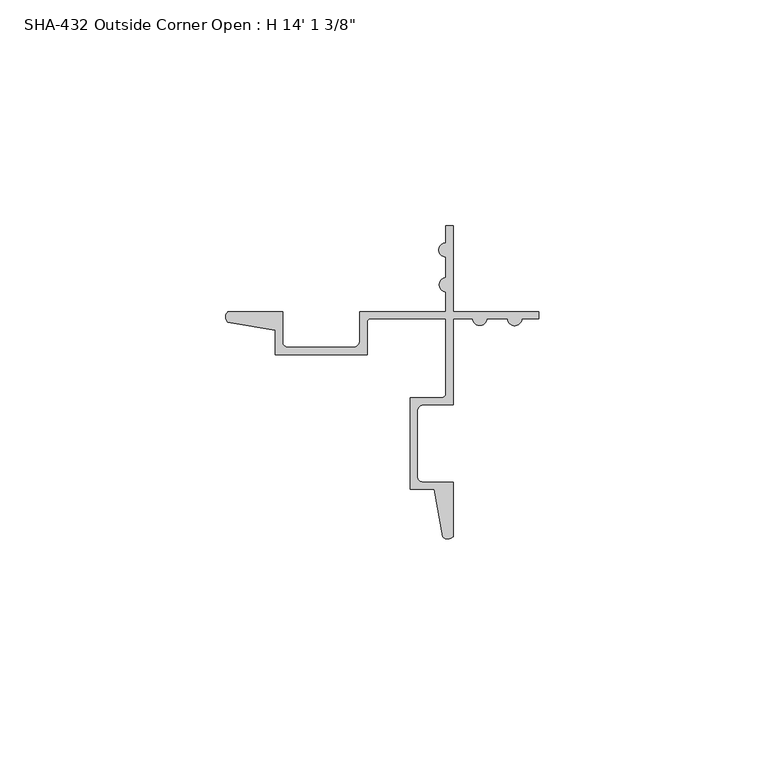
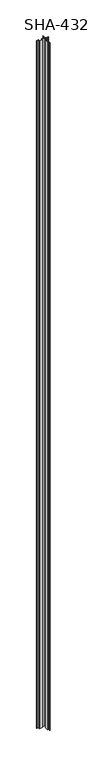
"""IFC4 building model written with IfcOpenShell, lengths in millimetres: proxy geometry."""

from ifc_helpers import new_model, si_unit, point, frame_2d, origin, origin_with_axes, place, context, project, spatial, polyline, circle_curve, trimmed, segment, composite_curve, outline, extrude, source, transform, mapped, element, save


def proxy_6e6ef92d(model_context):
    return source(origin(), model_context, "Body", "SweptSolid", [
        extrude(outline(composite_curve([segment(trimmed(circle_curve(frame_2d((-28.662637, 17.8573235)), 1.6162393), [point((-29.8194785, 16.7286308))], [point((-29.7533947, 19.05))], False, "CARTESIAN"), True, "CONTINUOUS"), segment(polyline([(-29.7533947, 19.05), (-17.6685916, 19.05), (-17.6685916, 12.3698)]), True, "CONTINUOUS"), segment(trimmed(circle_curve(frame_2d((-16.3985916, 12.3698)), 1.27), [point((-17.6685916, 12.3698))], [point((-16.3985916, 11.0998))], True, "CARTESIAN"), True, "CONTINUOUS"), segment(polyline([(-16.3985916, 11.0998), (-2.0896705, 11.0998)]), True, "CONTINUOUS"), segment(trimmed(circle_curve(frame_2d((-2.0896705, 12.6873)), 1.5875), [point((-2.0896705, 11.0998))], [point((-0.5021705, 12.6873))], True, "CARTESIAN"), True, "CONTINUOUS"), segment(polyline([(-0.5021705, 12.6873), (-0.5021705, 19.05), (18.5478295, 19.05), (18.5478295, 23.3934)]), True, "CONTINUOUS"), segment(trimmed(circle_curve(frame_2d((18.6388149, 24.9682)), 1.5774262), [point((18.5478295, 23.3934))], [point((18.5478295, 26.543))], False, "CARTESIAN"), True, "CONTINUOUS"), segment(polyline([(18.5478295, 26.543), (18.5478295, 31.1277)]), True, "CONTINUOUS"), segment(trimmed(circle_curve(frame_2d((18.5478295, 32.7025)), 1.5748), [point((18.5478295, 31.1277))], [point((18.5478295, 34.2773))], False, "CARTESIAN"), True, "CONTINUOUS"), segment(polyline([(18.5478295, 34.2773), (18.5478295, 38.1), (20.1226295, 38.1), (20.1226295, 19.05), (39.1726295, 19.05), (39.1726295, 17.4752), (35.3499295, 17.4752)]), True, "CONTINUOUS"), segment(trimmed(circle_curve(frame_2d((33.7751295, 17.4752)), 1.5748), [point((35.3499295, 17.4752))], [point((32.2003295, 17.4752))], False, "CARTESIAN"), True, "CONTINUOUS"), segment(polyline([(32.2003295, 17.4752), (27.6156295, 17.4752)]), True, "CONTINUOUS"), segment(trimmed(circle_curve(frame_2d((26.0408295, 17.5661854)), 1.5774262), [point((27.6156295, 17.4752))], [point((24.4660295, 17.4752))], False, "CARTESIAN"), True, "CONTINUOUS"), segment(polyline([(24.4660295, 17.4752), (20.1226295, 17.4752), (20.1226295, -1.5748), (13.7599295, -1.5748)]), True, "CONTINUOUS"), segment(trimmed(circle_curve(frame_2d((13.7599295, -3.1623)), 1.5875), [point((13.7599295, -1.5748))], [point((12.1724295, -3.1623))], True, "CARTESIAN"), True, "CONTINUOUS"), segment(polyline([(12.1724295, -3.1623), (12.1724295, -17.4712211)]), True, "CONTINUOUS"), segment(trimmed(circle_curve(frame_2d((13.4424295, -17.4712211)), 1.27), [point((12.1724295, -17.4712211))], [point((13.4424295, -18.7412211))], True, "CARTESIAN"), True, "CONTINUOUS"), segment(polyline([(13.4424295, -18.7412211), (20.1226295, -18.7412211), (20.1226295, -30.8260242)]), True, "CONTINUOUS"), segment(trimmed(circle_curve(frame_2d((18.929953, -29.7352665)), 1.6162393), [point((20.1226295, -30.8260242))], [point((17.8012602, -30.892108))], False, "CARTESIAN"), True, "CONTINUOUS"), segment(polyline([(17.8012602, -30.892108), (15.9902864, -20.3160211), (10.5976295, -20.3160211), (10.5976295, 0.0), (17.7528095, 0.0)]), True, "CONTINUOUS"), segment(trimmed(circle_curve(frame_2d((17.7528095, 0.79502)), 0.79502), [point((17.7528095, 0.0))], [point((18.5478295, 0.79502))], True, "CARTESIAN"), True, "CONTINUOUS"), segment(polyline([(18.5478295, 0.79502), (18.5478295, 17.4752), (1.8676495, 17.4752)]), True, "CONTINUOUS"), segment(trimmed(circle_curve(frame_2d((1.8676495, 16.68018)), 0.79502), [point((1.8676495, 17.4752))], [point((1.0726295, 16.68018))], True, "CARTESIAN"), True, "CONTINUOUS"), segment(polyline([(1.0726295, 16.68018), (1.0726295, 9.525), (-19.2433916, 9.525), (-19.2433916, 14.917657), (-29.8194785, 16.7286308)]), True, "CONTINUOUS")], self_intersect=False)), origin_with_axes(), (0.0, 0.0, 1.0), 4302.125),
    ])


if __name__ == "__main__":
    model = new_model("IFC4")
    model_context = context("Model", 3, world=origin())
    ifc_project = project(units=[si_unit("LENGTHUNIT", "METRE", prefix="MILLI")], contexts=[model_context])
    site = spatial("IfcSite", under=ifc_project)
    building = spatial("IfcBuilding", under=site)
    placement = place(None, origin())
    proxy_shape = proxy_6e6ef92d(model_context)
    element("IfcBuildingElementProxy", 1, Name="SHA-432 Outside Corner Open : H 14' 1 3/8\"", ObjectType="SHA-432 Outside Corner Open : H 14' 1 3/8\"", at=placement, inside=building, context=model_context, shape_type="MappedRepresentation", body=[
        mapped(proxy_shape, transform((0.0, 0.0, 0.0), x_axis=(1.0, 0.0, 0.0), y_axis=(0.0, 1.0, 0.0), z_axis=(0.0, 0.0, 1.0))),
    ])
    save(model, "model.ifc")
